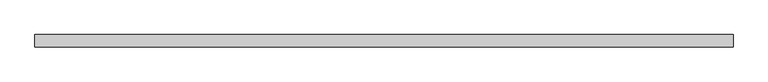
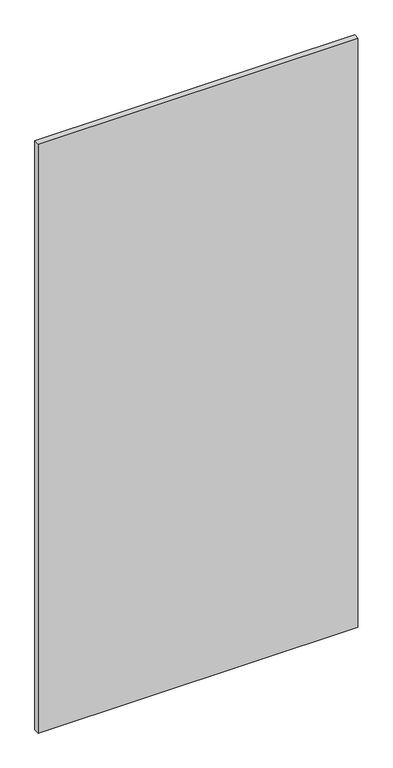
"""IFC4 building model written with IfcOpenShell, lengths in millimetres: proxy geometry."""

from ifc_helpers import new_model, si_unit, frame, origin, place, context, project, spatial, polyline, outline, extrude, source, transform, mapped, element, save


def specialty_equipment_b0d63e36(model_context):
    return source(origin(), model_context, "Body", "SweptSolid", [
        extrude(outline(polyline([(546.1, 9.525), (546.1, -9.525), (-546.1, -9.525), (-546.1, 9.525), (546.1, 9.525)])), frame((0.0, 0.0, 3.175), z_axis=(0.0, 0.0, 1.0), x_axis=(1.0, 0.0, 0.0)), (0.0, 0.0, 1.0), 2127.25),
    ])


if __name__ == "__main__":
    model = new_model("IFC4")
    model_context = context("Model", 3, world=origin())
    ifc_project = project(units=[si_unit("LENGTHUNIT", "METRE", prefix="MILLI")], contexts=[model_context])
    site = spatial("IfcSite", under=ifc_project)
    building = spatial("IfcBuilding", under=site)
    placement = place(None, origin())
    specialty_equipment_shape = specialty_equipment_b0d63e36(model_context)
    element("IfcBuildingElementProxy", 1, Name="Specialty Equipment", at=placement, inside=building, context=model_context, shape_type="MappedRepresentation", body=[
        mapped(specialty_equipment_shape, transform((0.0, 0.0, 0.0), x_axis=(1.0, 0.0, 0.0), y_axis=(0.0, 1.0, 0.0), z_axis=(0.0, 0.0, 1.0))),
    ])
    save(model, "model.ifc")
